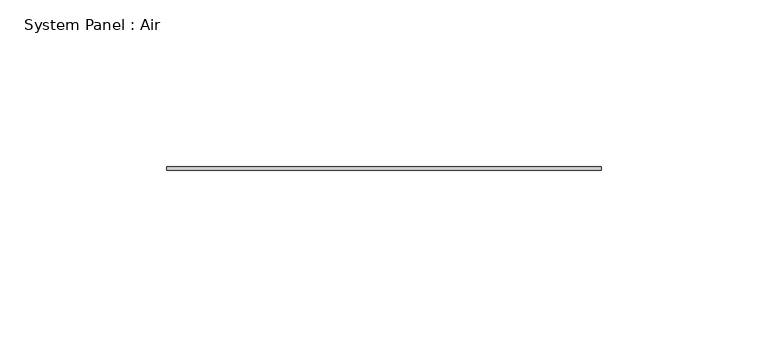
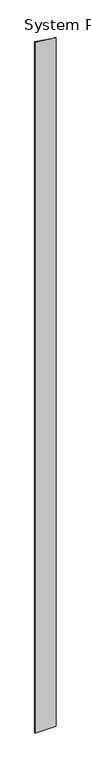
"""IFC4 building model written with IfcOpenShell, lengths in millimetres: plate geometry, System Panel : Air."""

from ifc_helpers import new_model, si_unit, frame, origin, place, context, project, spatial, polyline, outline, extrude, source, transform, mapped, element, save


def system_panel_air_7353d165(model_context):
    return source(origin(), model_context, "Body", "SweptSolid", [
        extrude(outline(polyline([(0.0, -65.0), (0.0, 65.0), (4474.54011, 65.0), (4493.7883794, -65.0), (0.0, -65.0)])), frame((0.0, 36.5, 0.0), z_axis=(0.0, 1.0, 0.0), x_axis=(0.0, 0.0, 1.0)), (0.0, 0.0, 1.0), 1.0),
    ])


if __name__ == "__main__":
    model = new_model("IFC4")
    model_context = context("Model", 3, world=origin())
    ifc_project = project(units=[si_unit("LENGTHUNIT", "METRE", prefix="MILLI")], contexts=[model_context])
    site = spatial("IfcSite", under=ifc_project)
    building = spatial("IfcBuilding", under=site)
    placement = place(None, origin())
    system_panel_air_shape = system_panel_air_7353d165(model_context)
    element("IfcPlate", 1, ObjectType="System Panel : Air", at=placement, inside=building, context=model_context, shape_type="MappedRepresentation", body=[
        mapped(system_panel_air_shape, transform((0.0, 0.0, 0.0), x_axis=(1.0, 0.0, 0.0), y_axis=(0.0, 1.0, 0.0), z_axis=(0.0, 0.0, 1.0))),
    ])
    save(model, "model.ifc")
